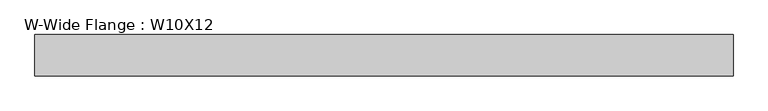
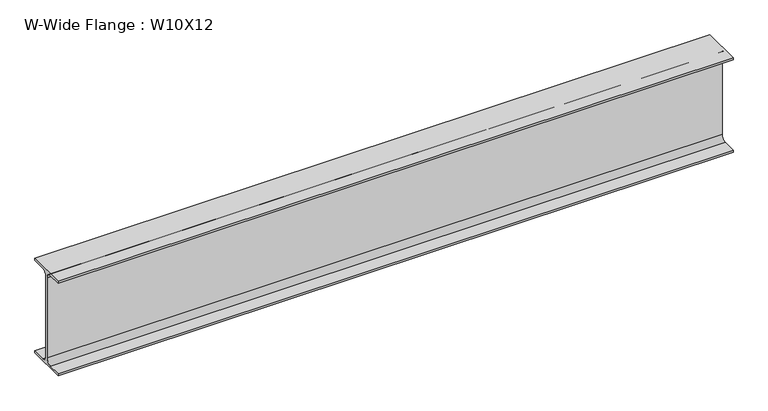
"""IFC4 building model written with IfcOpenShell, lengths in millimetres: beam geometry, W-Wide Flange : W10X12."""

from ifc_helpers import new_model, si_unit, point, frame, frame_2d, origin, place, context, project, spatial, polyline, circle_curve, trimmed, segment, composite_curve, outline, extrude, source, transform, mapped, element, save


def w_wide_flange_w10x12_c62107aa(model_context):
    return source(origin(), model_context, "Body", "SweptSolid", [
        extrude(outline(composite_curve([segment(polyline([(50.3039062, -120.0050781), (50.3039062, -125.3628906), (-50.3039063, -125.3628906), (-50.3039063, -120.0050781), (-16.1230469, -120.0050781)]), True, "CONTINUOUS"), segment(trimmed(circle_curve(frame_2d((-16.1230469, -106.3128906)), 13.6921875), [point((-16.1230469, -120.0050781))], [point((-2.4308594, -106.3128906))], True, "CARTESIAN"), True, "CONTINUOUS"), segment(polyline([(-2.4308594, -106.3128906), (-2.4308594, 106.3128906)]), True, "CONTINUOUS"), segment(trimmed(circle_curve(frame_2d((-16.1230469, 106.3128906)), 13.6921875), [point((-2.4308594, 106.3128906))], [point((-16.1230469, 120.0050781))], True, "CARTESIAN"), True, "CONTINUOUS"), segment(polyline([(-16.1230469, 120.0050781), (-50.3039063, 120.0050781), (-50.3039063, 125.3628906), (50.3039062, 125.3628906), (50.3039062, 120.0050781), (16.1230469, 120.0050781)]), True, "CONTINUOUS"), segment(trimmed(circle_curve(frame_2d((16.1230469, 106.3128906)), 13.6921875), [point((16.1230469, 120.0050781))], [point((2.4308594, 106.3128906))], True, "CARTESIAN"), True, "CONTINUOUS"), segment(polyline([(2.4308594, 106.3128906), (2.4308594, -106.3128906)]), True, "CONTINUOUS"), segment(trimmed(circle_curve(frame_2d((16.1230469, -106.3128906)), 13.6921875), [point((2.4308594, -106.3128906))], [point((16.1230469, -120.0050781))], True, "CARTESIAN"), True, "CONTINUOUS"), segment(polyline([(16.1230469, -120.0050781), (50.3039062, -120.0050781)]), True, "CONTINUOUS")], self_intersect=False)), frame((-844.55, 0.0, 0.0), z_axis=(1.0, 0.0, 0.0), x_axis=(0.0, 1.0, 0.0)), (0.0, 0.0, 1.0), 1695.45),
    ])


if __name__ == "__main__":
    model = new_model("IFC4")
    model_context = context("Model", 3, world=origin())
    ifc_project = project(units=[si_unit("LENGTHUNIT", "METRE", prefix="MILLI")], contexts=[model_context])
    site = spatial("IfcSite", under=ifc_project)
    building = spatial("IfcBuilding", under=site)
    placement = place(None, origin())
    w_wide_flange_w10x12_shape = w_wide_flange_w10x12_c62107aa(model_context)
    element("IfcBeam", 1, ObjectType="W-Wide Flange : W10X12", at=placement, inside=building, context=model_context, shape_type="MappedRepresentation", body=[
        mapped(w_wide_flange_w10x12_shape, transform((0.0, 0.0, 0.0), x_axis=(1.0, 0.0, 0.0), y_axis=(0.0, 1.0, 0.0), z_axis=(0.0, 0.0, 1.0))),
    ])
    save(model, "model.ifc")
